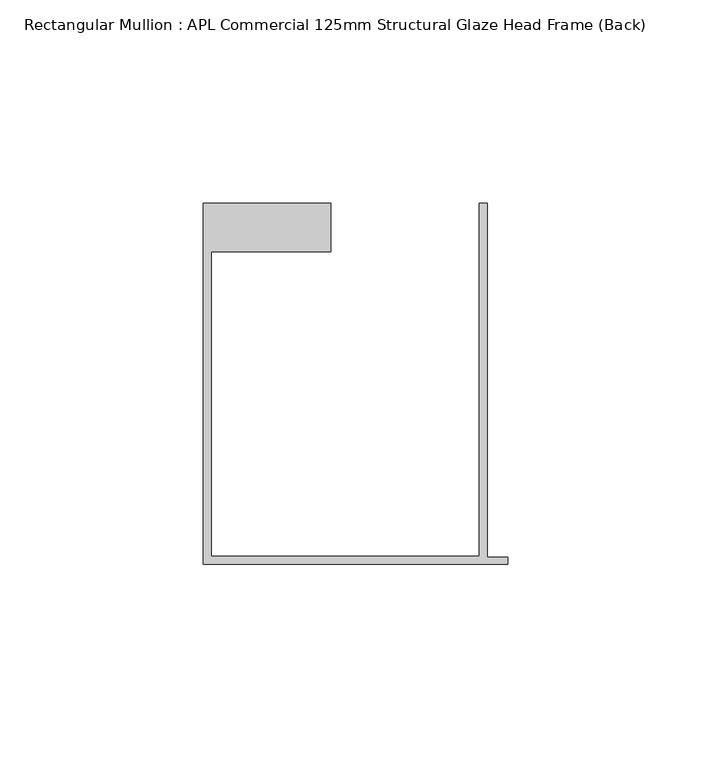
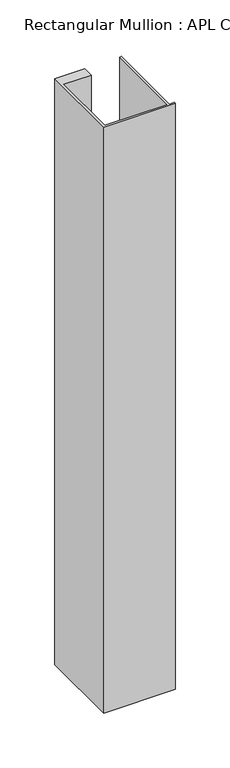
"""IFC4 building model written with IfcOpenShell, lengths in millimetres: member geometry, Rectangular Mullion : APL Commercial 125mm Structural Glaze Head Frame (Back)."""

from ifc_helpers import new_model, si_unit, frame, origin, place, context, project, spatial, polyline, outline, extrude, source, transform, mapped, element, save


def rectangular_mullion_apl_commercial_125mm_structural_glaze_182fe1c1(model_context):
    return source(origin(), model_context, "Body", "SweptSolid", [
        extrude(outline(polyline([(-75.0, -103.9993063), (-75.0, -14.9998342), (-43.5000151, -14.9998342), (-43.5000151, -26.9997514), (-73.0, -26.9997514), (-73.0, -101.9993063), (-7.0, -101.9993063), (-7.0, -14.9998342), (-5.0, -14.9998342), (-5.0, -102.1993063), (0.0, -102.1993063), (0.0, -103.9993063), (-75.0, -103.9993063)])), frame((0.0, 0.0, -651.6364174), z_axis=(0.0, 0.0, 1.0), x_axis=(1.0, 0.0, 0.0)), (0.0, 0.0, 1.0), 651.6364174),
    ])


if __name__ == "__main__":
    model = new_model("IFC4")
    model_context = context("Model", 3, world=origin())
    ifc_project = project(units=[si_unit("LENGTHUNIT", "METRE", prefix="MILLI")], contexts=[model_context])
    site = spatial("IfcSite", under=ifc_project)
    building = spatial("IfcBuilding", under=site)
    placement = place(None, origin())
    rectangular_mullion_apl_commercial_125mm_structural_glaze_shape = rectangular_mullion_apl_commercial_125mm_structural_glaze_182fe1c1(model_context)
    element("IfcMember", 1, ObjectType="Rectangular Mullion : APL Commercial 125mm Structural Glaze Head Frame (Back)", at=placement, inside=building, context=model_context, shape_type="MappedRepresentation", body=[
        mapped(rectangular_mullion_apl_commercial_125mm_structural_glaze_shape, transform((0.0, 0.0, 0.0), x_axis=(1.0, 0.0, 0.0), y_axis=(0.0, 1.0, 0.0), z_axis=(0.0, 0.0, 1.0))),
    ])
    save(model, "model.ifc")
